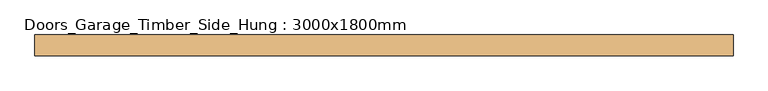
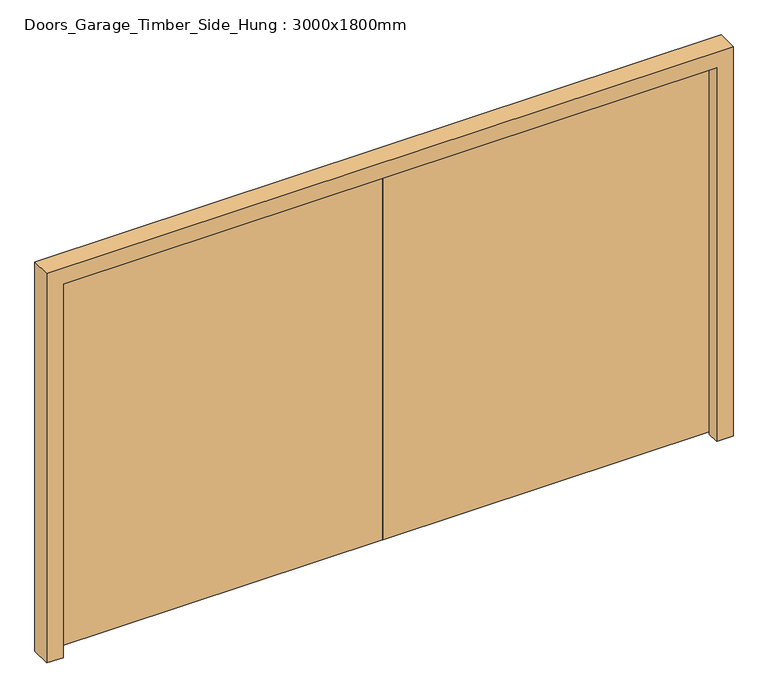
"""IFC4 building model written with IfcOpenShell, lengths in millimetres: door geometry, Doors_Garage_Timber_Side_Hung : 3000x1800mm."""

from ifc_helpers import new_model, si_unit, origin, place, context, project, spatial, faceted_brep, source, transform, mapped, element, save


def doors_garage_timber_side_hung_3000x1800mm_1009b5ec(model_context):
    return source(origin(), model_context, "Body", "Brep", [
        faceted_brep([(1450.0, 82.5, 0.0), (1500.0, 82.5, 0.0), (1500.0, -6.5, 0.0), (1428.0, -6.5, 0.0), (1428.0, 47.5, 0.0), (1450.0, 47.5, 0.0), (1450.0, 82.5, 1750.0), (-1450.0, 82.5, 1750.0), (-1450.0, 82.5, 0.0), (-1500.0, 82.5, 0.0), (-1500.0, 82.5, 1800.0), (1500.0, 82.5, 1800.0), (1500.0, -6.5, 1800.0), (-1500.0, -6.5, 1800.0), (-1500.0, -6.5, 0.0), (-1428.0, -6.5, 0.0), (-1428.0, -6.5, 1728.0), (1428.0, -6.5, 1728.0), (1428.0, 47.5, 1728.0), (-1428.0, 47.5, 1728.0), (-1428.0, 47.5, 0.0), (-1450.0, 47.5, 0.0), (-1450.0, 47.5, 1750.0), (1450.0, 47.5, 1750.0)], [[[0, 1, 2, 3, 4, 5]], [[1, 0, 6, 7, 8, 9, 10, 11]], [[2, 1, 11, 12]], [[3, 2, 12, 13, 14, 15, 16, 17]], [[4, 3, 17, 18]], [[5, 4, 18, 19, 20, 21, 22, 23]], [[0, 5, 23, 6]], [[8, 7, 22, 21]], [[9, 8, 21, 20, 15, 14]], [[10, 9, 14, 13]], [[16, 15, 20, 19]], [[11, 10, 13, 12]], [[17, 16, 19, 18]], [[7, 6, 23, 22]]]),
        faceted_brep([(1.5, 50.5, 10.0), (1447.0, 50.5, 10.0), (1447.0, 50.5, 1747.0), (1.5, 50.5, 1747.0), (1.5, 82.5, 10.0), (1.5, 82.5, 1747.0), (1447.0, 82.5, 1747.0), (1447.0, 82.5, 10.0), (101.5, 82.5, 1547.0), (101.5, 82.5, 260.0), (1272.0, 82.5, 260.0), (1272.0, 82.5, 1547.0), (101.5, 77.5, 260.0), (101.5, 77.5, 1547.0), (1272.0, 77.5, 1547.0), (1272.0, 77.5, 260.0)], [[[0, 1, 2, 3]], [[4, 5, 6, 7], [8, 9, 10, 11]], [[1, 0, 4, 7]], [[2, 1, 7, 6]], [[3, 2, 6, 5]], [[0, 3, 5, 4]], [[12, 13, 14, 15]], [[13, 12, 9, 8]], [[14, 13, 8, 11]], [[15, 14, 11, 10]], [[12, 15, 10, 9]]]),
        faceted_brep([(-1447.0, 50.5, 10.0), (-1.5, 50.5, 10.0), (-1.5, 50.5, 1747.0), (-1447.0, 50.5, 1747.0), (-1447.0, 82.5, 10.0), (-1447.0, 82.5, 1747.0), (-1.5, 82.5, 1747.0), (-1.5, 82.5, 10.0), (-101.5, 82.5, 1547.0), (-1272.0, 82.5, 1547.0), (-1272.0, 82.5, 260.0), (-101.5, 82.5, 260.0), (-1272.0, 77.5, 1547.0), (-101.5, 77.5, 1547.0), (-101.5, 77.5, 260.0), (-1272.0, 77.5, 260.0)], [[[0, 1, 2, 3]], [[4, 5, 6, 7], [8, 9, 10, 11]], [[1, 0, 4, 7]], [[2, 1, 7, 6]], [[3, 2, 6, 5]], [[0, 3, 5, 4]], [[12, 13, 14, 15]], [[13, 12, 9, 8]], [[14, 13, 8, 11]], [[15, 14, 11, 10]], [[12, 15, 10, 9]]]),
    ])


if __name__ == "__main__":
    model = new_model("IFC4")
    model_context = context("Model", 3, world=origin())
    ifc_project = project(units=[si_unit("LENGTHUNIT", "METRE", prefix="MILLI")], contexts=[model_context])
    site = spatial("IfcSite", under=ifc_project)
    building = spatial("IfcBuilding", under=site)
    placement = place(None, origin())
    doors_garage_timber_side_hung_3000x1800mm_shape = doors_garage_timber_side_hung_3000x1800mm_1009b5ec(model_context)
    element("IfcDoor", 1, ObjectType="Doors_Garage_Timber_Side_Hung : 3000x1800mm", at=placement, inside=building, context=model_context, shape_type="MappedRepresentation", body=[
        mapped(doors_garage_timber_side_hung_3000x1800mm_shape, transform((0.0, 0.0, 0.0), x_axis=(1.0, 0.0, 0.0), y_axis=(0.0, 1.0, 0.0), z_axis=(0.0, 0.0, 1.0))),
    ])
    save(model, "model.ifc")
